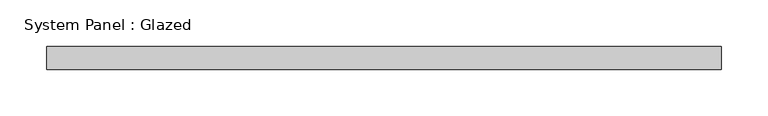
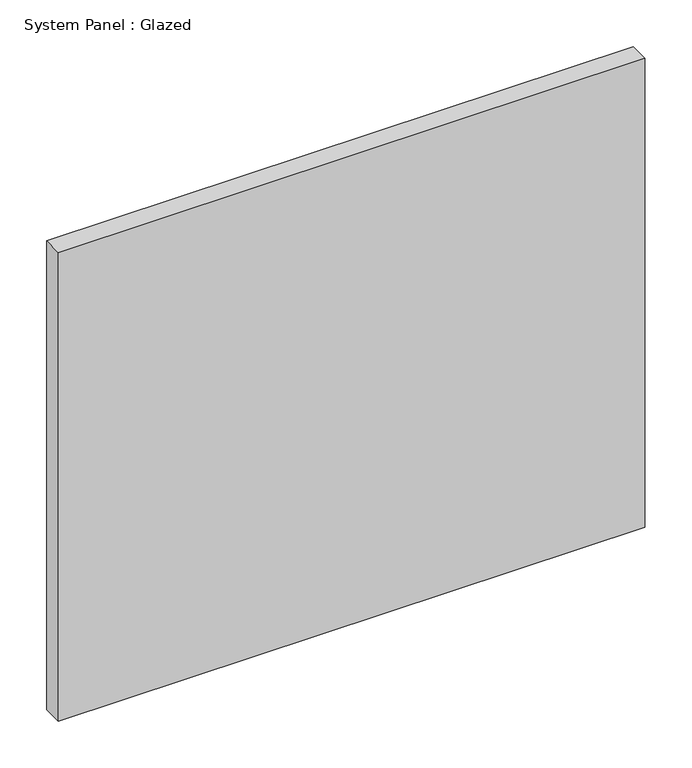
"""IFC4 building model written with IfcOpenShell, lengths in millimetres: plate geometry, System Panel : Glazed."""

from ifc_helpers import new_model, si_unit, origin, origin_with_axes, place, context, project, spatial, polyline, outline, extrude, source, transform, mapped, element, save


def system_panel_glazed_b0234f07(model_context):
    return source(origin(), model_context, "Body", "SweptSolid", [
        extrude(outline(polyline([(362.5, 24.5), (-362.5, 24.5), (-362.5, 49.5), (362.5, 49.5), (362.5, 24.5)])), origin_with_axes(), (0.0, 0.0, 1.0), 612.4666667),
    ])


if __name__ == "__main__":
    model = new_model("IFC4")
    model_context = context("Model", 3, world=origin())
    ifc_project = project(units=[si_unit("LENGTHUNIT", "METRE", prefix="MILLI")], contexts=[model_context])
    site = spatial("IfcSite", under=ifc_project)
    building = spatial("IfcBuilding", under=site)
    placement = place(None, origin())
    system_panel_glazed_shape = system_panel_glazed_b0234f07(model_context)
    element("IfcPlate", 1, ObjectType="System Panel : Glazed", at=placement, inside=building, context=model_context, shape_type="MappedRepresentation", body=[
        mapped(system_panel_glazed_shape, transform((0.0, 0.0, 0.0), x_axis=(1.0, 0.0, 0.0), y_axis=(0.0, 1.0, 0.0), z_axis=(0.0, 0.0, 1.0))),
    ])
    save(model, "model.ifc")
